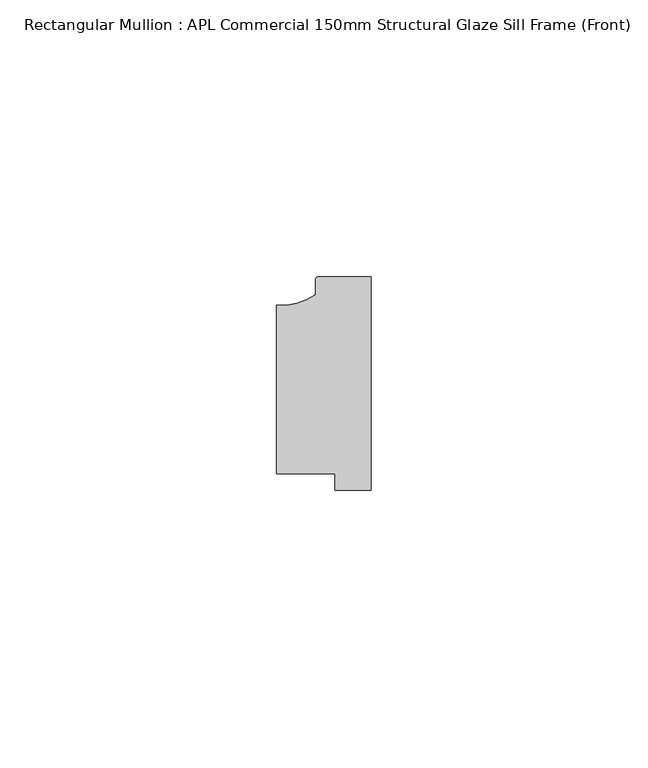
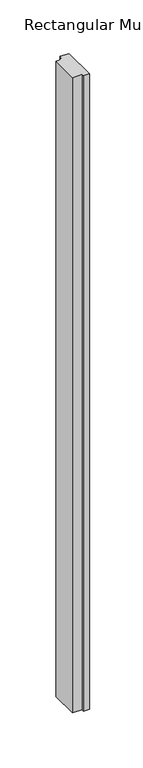
"""IFC4 building model written with IfcOpenShell, lengths in millimetres: member geometry, Rectangular Mullion : APL Commercial 150mm Structural Glaze Sill Frame (Front)."""

from ifc_helpers import new_model, si_unit, point, frame, frame_2d, origin, place, context, project, spatial, polyline, circle_curve, trimmed, segment, composite_curve, outline, extrude, source, transform, mapped, element, save


def rectangular_mullion_apl_commercial_150mm_structural_glaze_82348ae4(model_context):
    return source(origin(), model_context, "Body", "SweptSolid", [
        extrude(outline(composite_curve([segment(trimmed(circle_curve(frame_2d((-16.1098048, 25.7977481)), 10.4563907), [point((-16.999942, 15.3793144))], [point((-10.0, 17.3120901))], True, "CARTESIAN"), True, "CONTINUOUS"), segment(polyline([(-10.0, 17.3120901), (-10.0, 19.9980675)]), True, "CONTINUOUS"), segment(trimmed(circle_curve(frame_2d((-9.5000029, 19.99978)), 0.5), [point((-10.0, 19.9980675))], [point((-9.5000029, 20.49978))], False, "CARTESIAN"), True, "CONTINUOUS"), segment(polyline([(-9.5000029, 20.49978), (0.0, 20.49978), (0.0, -18.0281616), (-6.5000029, -18.0281616), (-6.5000029, -15.0004332), (-16.999942, -15.0004332), (-16.999942, 15.3793144)]), True, "CONTINUOUS")], self_intersect=False)), frame((0.0, 0.0, -724.5786456), z_axis=(0.0, 0.0, 1.0), x_axis=(1.0, 0.0, 0.0)), (0.0, 0.0, 1.0), 724.5786456),
    ])


if __name__ == "__main__":
    model = new_model("IFC4")
    model_context = context("Model", 3, world=origin())
    ifc_project = project(units=[si_unit("LENGTHUNIT", "METRE", prefix="MILLI")], contexts=[model_context])
    site = spatial("IfcSite", under=ifc_project)
    building = spatial("IfcBuilding", under=site)
    placement = place(None, origin())
    rectangular_mullion_apl_commercial_150mm_structural_glaze_shape = rectangular_mullion_apl_commercial_150mm_structural_glaze_82348ae4(model_context)
    element("IfcMember", 1, ObjectType="Rectangular Mullion : APL Commercial 150mm Structural Glaze Sill Frame (Front)", at=placement, inside=building, context=model_context, shape_type="MappedRepresentation", body=[
        mapped(rectangular_mullion_apl_commercial_150mm_structural_glaze_shape, transform((0.0, 0.0, 0.0), x_axis=(1.0, 0.0, 0.0), y_axis=(0.0, 1.0, 0.0), z_axis=(0.0, 0.0, 1.0))),
    ])
    save(model, "model.ifc")
